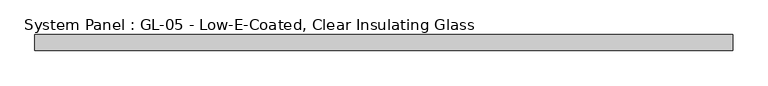
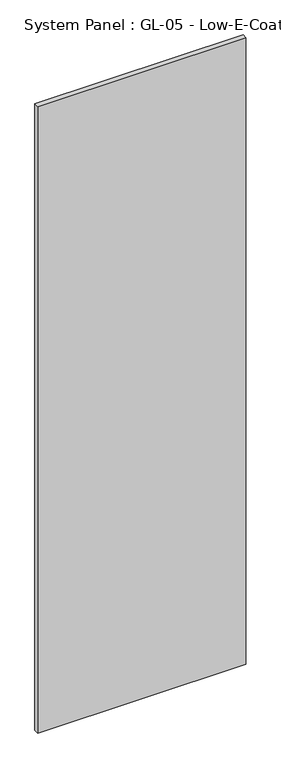
"""IFC4 building model written with IfcOpenShell, lengths in millimetres: plate geometry, System Panel : GL-05 - Low-E-Coated, Clear Insulating Glass."""

from ifc_helpers import new_model, si_unit, origin, origin_with_axes, place, context, project, spatial, polyline, outline, extrude, source, transform, mapped, element, save


def system_panel_gl_05_low_e_coated_clear_insulating_glass_e071062b(model_context):
    return source(origin(), model_context, "Body", "SweptSolid", [
        extrude(outline(polyline([(558.8, -12.7), (-558.8, -12.7), (-558.8, 12.7), (558.8, 12.7), (558.8, -12.7)])), origin_with_axes(), (0.0, 0.0, 1.0), 3556.0),
    ])


if __name__ == "__main__":
    model = new_model("IFC4")
    model_context = context("Model", 3, world=origin())
    ifc_project = project(units=[si_unit("LENGTHUNIT", "METRE", prefix="MILLI")], contexts=[model_context])
    site = spatial("IfcSite", under=ifc_project)
    building = spatial("IfcBuilding", under=site)
    placement = place(None, origin())
    system_panel_gl_05_low_e_coated_clear_insulating_glass_shape = system_panel_gl_05_low_e_coated_clear_insulating_glass_e071062b(model_context)
    element("IfcPlate", 1, ObjectType="System Panel : GL-05 - Low-E-Coated, Clear Insulating Glass", at=placement, inside=building, context=model_context, shape_type="MappedRepresentation", body=[
        mapped(system_panel_gl_05_low_e_coated_clear_insulating_glass_shape, transform((0.0, 0.0, 0.0), x_axis=(1.0, 0.0, 0.0), y_axis=(0.0, 1.0, 0.0), z_axis=(0.0, 0.0, 1.0))),
    ])
    save(model, "model.ifc")
